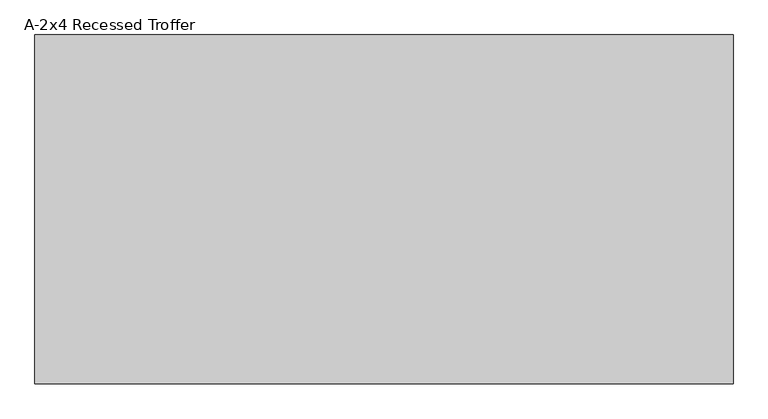
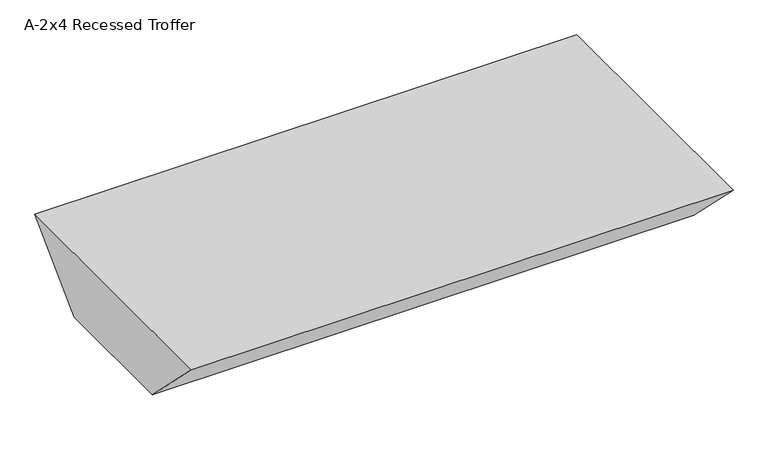
"""IFC4 building model written with IfcOpenShell, lengths in millimetres: light fixture geometry, A-2x4 Recessed Troffer."""

from ifc_helpers import new_model, si_unit, frame, origin, place, context, project, spatial, polyline, outline, extrude, source, transform, mapped, element, save


def a_2x4_recessed_troffer_d3d5fc87(model_context):
    return source(origin(), model_context, "Body", "SweptSolid", [
        extrude(outline(polyline([(-609.6, 0.0), (0.0, 0.0), (-152.4, -152.4), (-457.2, -152.4), (-609.6, 0.0)])), frame((0.0, 0.0, 0.0), z_axis=(1.0, 0.0, 0.0), x_axis=(0.0, 1.0, 0.0)), (0.0, 0.0, 1.0), 1219.2),
    ])


if __name__ == "__main__":
    model = new_model("IFC4")
    model_context = context("Model", 3, world=origin())
    ifc_project = project(units=[si_unit("LENGTHUNIT", "METRE", prefix="MILLI")], contexts=[model_context])
    site = spatial("IfcSite", under=ifc_project)
    building = spatial("IfcBuilding", under=site)
    placement = place(None, origin())
    a_2x4_recessed_troffer_shape = a_2x4_recessed_troffer_d3d5fc87(model_context)
    element("IfcLightFixture", 1, ObjectType="A-2x4 Recessed Troffer", at=placement, inside=building, context=model_context, shape_type="MappedRepresentation", body=[
        mapped(a_2x4_recessed_troffer_shape, transform((0.0, 0.0, 0.0), x_axis=(1.0, 0.0, 0.0), y_axis=(0.0, 1.0, 0.0), z_axis=(0.0, 0.0, 1.0))),
    ])
    save(model, "model.ifc")
